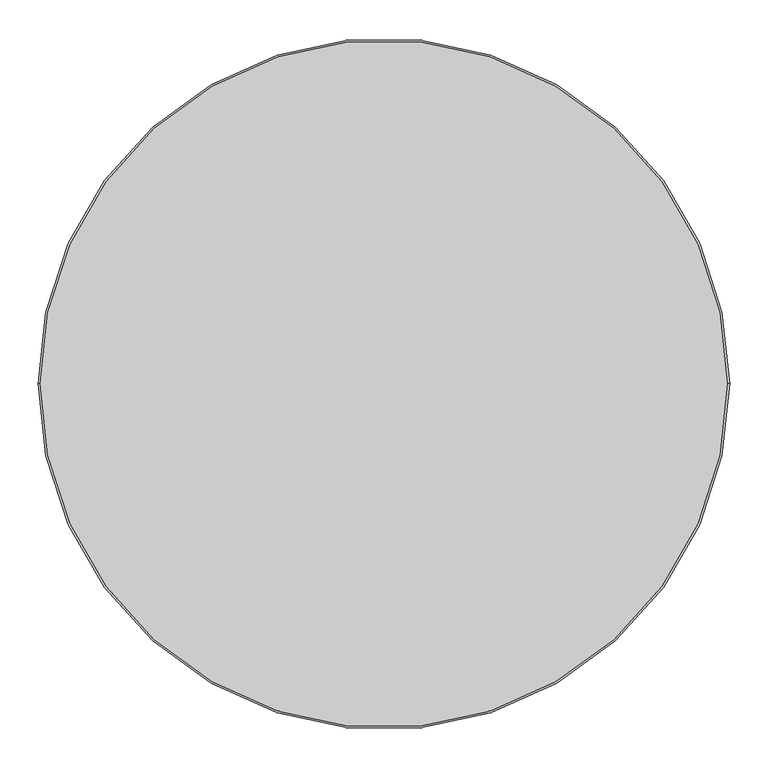
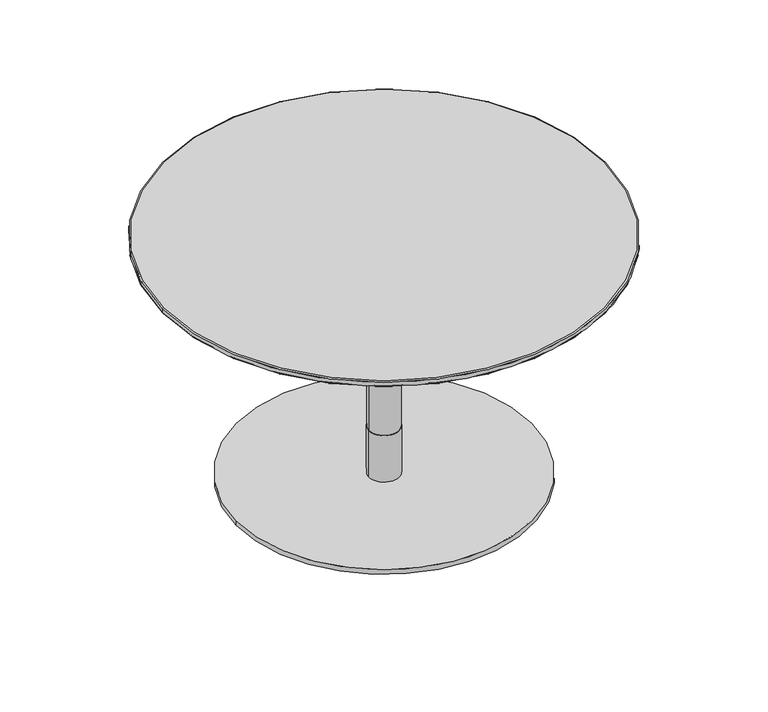
"""IFC4 building model written with IfcOpenShell, lengths in millimetres: furniture geometry."""

from ifc_helpers import new_model, si_unit, point, frame, origin, origin_with_axes, origin_2d, place, context, project, spatial, polyline, circle_curve, ellipse_curve, trimmed, segment, composite_curve, outline, extrude, source, transform, mapped, element, save
from ifc_brep_helpers import plane_surface, cylinder_surface, revolved_surface, advanced_brep


def furniture_6e579859(model_context):
    return source(origin(), model_context, "Body", "SolidModel", [
        advanced_brep(
        [(448.6840403, 0.0, 508.2400004), (450.0, 0.0, 510.1193857), (-450.0, 0.0, 510.1193857), (-448.6840403, 0.0, 508.2400004), (450.0, 0.0, 518.0), (448.0, 0.0, 520.0), (-448.0, 0.0, 520.0), (-450.0, 0.0, 518.0)],
        [
            (0, 1, circle_curve(frame((448.0, 0.0, 510.1193857), z_axis=(0.0, -1.0, 0.0), x_axis=(-1.0, 0.0, 0.0)), 2.0)),
            (1, 2, circle_curve(frame((0.0, 0.0, 510.1193857), z_axis=(0.0, 0.0, -1.0), x_axis=(-1.0, 0.0, 0.0)), 450.0)),
            (2, 3, circle_curve(frame((-448.0, 0.0, 510.1193857), z_axis=(0.0, -1.0, 0.0), x_axis=(1.0, 0.0, 0.0)), 2.0)),
            (3, 0, circle_curve(frame((0.0, 0.0, 508.2400004), z_axis=(0.0, 0.0, 1.0), x_axis=(-1.0, 0.0, 0.0)), 448.6840403)),
            (4, 5, circle_curve(frame((448.0, 0.0, 518.0), z_axis=(0.0, -1.0, 0.0), x_axis=(-1.0, 0.0, 0.0)), 2.0)),
            (5, 6, circle_curve(frame((0.0, 0.0, 520.0), z_axis=(0.0, 0.0, -1.0), x_axis=(-1.0, 0.0, 0.0)), 448.0)),
            (6, 7, circle_curve(frame((-448.0, 0.0, 518.0), z_axis=(0.0, -1.0, 0.0), x_axis=(1.0, 0.0, 0.0)), 2.0)),
            (7, 4, circle_curve(frame((0.0, 0.0, 518.0), z_axis=(0.0, 0.0, 1.0), x_axis=(-1.0, 0.0, 0.0)), 450.0)),
            (0, 3, circle_curve(frame((0.0, 0.0, 508.2400004), z_axis=(0.0, 0.0, 1.0), x_axis=(1.0, 0.0, 0.0)), 448.6840403)),
            (2, 1, circle_curve(frame((0.0, 0.0, 510.1193857), z_axis=(0.0, 0.0, -1.0), x_axis=(1.0, 0.0, 0.0)), 450.0)),
            (4, 7, circle_curve(frame((0.0, 0.0, 518.0), z_axis=(0.0, 0.0, 1.0), x_axis=(1.0, 0.0, 0.0)), 450.0)),
            (6, 5, circle_curve(frame((0.0, 0.0, 520.0), z_axis=(0.0, 0.0, -1.0), x_axis=(1.0, 0.0, 0.0)), 448.0)),
            (7, 2),
            (1, 4),
        ],
        [
            revolved_surface(trimmed(ellipse_curve(frame((-448.0, 0.0, 510.1193857), z_axis=(0.0, 1.0, 0.0), x_axis=(1.0, 0.0, 0.0)), 2.0, 2.0), [point((-448.6840403, 0.0, 508.2400004))], [point((-450.0, 0.0, 510.1193857))], True, "CARTESIAN"), (0.0, 0.0, 0.0), (0.0, 0.0, 1.0)),
            revolved_surface(trimmed(ellipse_curve(frame((-448.0, 0.0, 518.0), z_axis=(0.0, 1.0, 0.0), x_axis=(1.0, 0.0, 0.0)), 2.0, 2.0), [point((-450.0, 0.0, 518.0))], [point((-448.0, 0.0, 520.0))], True, "CARTESIAN"), (0.0, 0.0, 0.0), (0.0, 0.0, 1.0)),
            revolved_surface(trimmed(ellipse_curve(frame((448.0, 0.0, 510.1193857), z_axis=(0.0, -1.0, 0.0), x_axis=(-1.0, 0.0, 0.0)), 2.0, 2.0), [point((448.6840403, 0.0, 508.2400004))], [point((450.0, 0.0, 510.1193857))], True, "CARTESIAN"), (0.0, 0.0, 0.0), (0.0, 0.0, 1.0)),
            revolved_surface(trimmed(ellipse_curve(frame((448.0, 0.0, 518.0), z_axis=(0.0, -1.0, 0.0), x_axis=(-1.0, 0.0, 0.0)), 2.0, 2.0), [point((450.0, 0.0, 518.0))], [point((448.0, 0.0, 520.0))], True, "CARTESIAN"), (0.0, 0.0, 0.0), (0.0, 0.0, 1.0)),
            plane_surface(frame((450.0, 0.0, 520.0), z_axis=(0.0, 0.0, 1.0), x_axis=(0.0, 1.0, 0.0))),
            plane_surface(frame((450.0, 0.0, 508.2400004), z_axis=(0.0, 0.0, -1.0), x_axis=(0.0, -1.0, 0.0))),
            cylinder_surface(frame((0.0, 0.0, 508.2400004), z_axis=(0.0, 0.0, 1.0), x_axis=(1.0, 0.0, 0.0)), 450.0),
        ],
        [
            (0, [[1, 2, 3, 4]]),
            (1, [[5, 6, 7, 8]]),
            (2, [[-1, 9, -3, 10]]),
            (3, [[-5, 11, -7, 12]]),
            (4, [[-6, -12]]),
            (5, [[-4, -9]]),
            (6, [[13, -2, 14, -8]]),
            (6, [[-13, -11, -14, -10]]),
        ],
    ),
        advanced_brep(
        [(-448.6840403, 0.0, 508.2400004), (448.6840403, 0.0, 508.2400004), (-400.0, 0.0, 497.7932619), (400.0, 0.0, 497.7932619)],
        [
            (0, 1, circle_curve(frame((0.0, 0.0, 508.2400004), z_axis=(0.0, 0.0, 1.0), x_axis=(-1.0, 0.0, 0.0)), 448.6840403)),
            (1, 0, circle_curve(frame((0.0, 0.0, 508.2400004), z_axis=(0.0, 0.0, 1.0), x_axis=(1.0, 0.0, 0.0)), 448.6840403)),
            (2, 3, circle_curve(frame((0.0, 0.0, 497.7932619), z_axis=(0.0, 0.0, -1.0), x_axis=(1.0, 0.0, 0.0)), 400.0)),
            (3, 2, circle_curve(frame((0.0, 0.0, 497.7932619), z_axis=(0.0, 0.0, -1.0), x_axis=(-1.0, 0.0, 0.0)), 400.0)),
            (3, 1),
            (0, 2),
        ],
        [
            plane_surface(frame((0.0, 0.0, 508.2400004), z_axis=(0.0, 0.0, 1.0), x_axis=(0.0, -1.0, 0.0))),
            plane_surface(frame((0.0, 0.0, 497.7932619), z_axis=(0.0, 0.0, -1.0), x_axis=(0.0, -1.0, 0.0))),
            revolved_surface(polyline([(399.999999904582, 0.0, 497.7932619), (448.6840403, 0.0, 508.2400004)]), (0.0, 0.0, 411.9602997), (0.0, 0.0, 1.0)),
            revolved_surface(polyline([(-399.999999904582, 0.0, 497.7932619), (-448.6840403, 0.0, 508.2400004)]), (0.0, 0.0, 411.9602997), (0.0, 0.0, 1.0)),
        ],
        [
            (0, [[1, 2]]),
            (1, [[3, 4]]),
            (2, [[-4, 5, -1, 6]]),
            (3, [[-3, -6, -2, -5]]),
        ],
    ),
        extrude(outline(polyline([(175.0000945, 174.9403258), (175.0000945, -175.0598632), (-175.0000945, -175.0598632), (-175.0000945, 174.9403258), (175.0000945, 174.9403258)])), frame((0.0, 0.0, 492.7932592), z_axis=(0.0, 0.0, 1.0), x_axis=(1.0, 0.0, 0.0)), (0.0, 0.0, 1.0), 5.0000027),
        extrude(outline(composite_curve([segment(trimmed(circle_curve(origin_2d(), 31.0), [point((-31.0, 0.0))], [point((31.0, 0.0))], False, "CARTESIAN"), True, "CONTINUOUS"), segment(trimmed(circle_curve(origin_2d(), 31.0), [point((31.0, 0.0))], [point((-31.0, 0.0))], False, "CARTESIAN"), True, "CONTINUOUS")], self_intersect=False)), frame((0.0, 0.0, 392.7932663), z_axis=(0.0, 0.0, 1.0), x_axis=(1.0, 0.0, 0.0)), (0.0, 0.0, 1.0), 99.999993),
        extrude(outline(composite_curve([segment(trimmed(circle_curve(origin_2d(), 30.0), [point((-30.0, 0.0))], [point((30.0, 0.0))], False, "CARTESIAN"), True, "CONTINUOUS"), segment(trimmed(circle_curve(origin_2d(), 30.0), [point((30.0, 0.0))], [point((-30.0, 0.0))], False, "CARTESIAN"), True, "CONTINUOUS")], self_intersect=False)), frame((0.0, 0.0, 110.0016526), z_axis=(0.0, 0.0, 1.0), x_axis=(1.0, 0.0, 0.0)), (0.0, 0.0, 1.0), 282.7916137),
        extrude(outline(composite_curve([segment(trimmed(circle_curve(origin_2d(), 31.0), [point((-31.0, 0.0))], [point((31.0, 0.0))], False, "CARTESIAN"), True, "CONTINUOUS"), segment(trimmed(circle_curve(origin_2d(), 31.0), [point((31.0, 0.0))], [point((-31.0, 0.0))], False, "CARTESIAN"), True, "CONTINUOUS")], self_intersect=False)), frame((0.0, 0.0, 10.0000044), z_axis=(0.0, 0.0, 1.0), x_axis=(1.0, 0.0, 0.0)), (0.0, 0.0, 1.0), 100.0016481),
        extrude(outline(composite_curve([segment(trimmed(circle_curve(origin_2d(), 300.0), [point((-300.0, 0.0))], [point((300.0, 0.0))], False, "CARTESIAN"), True, "CONTINUOUS"), segment(trimmed(circle_curve(origin_2d(), 300.0), [point((300.0, 0.0))], [point((-300.0, 0.0))], False, "CARTESIAN"), True, "CONTINUOUS")], self_intersect=False)), origin_with_axes(), (0.0, 0.0, 1.0), 10.0000044),
    ])


if __name__ == "__main__":
    model = new_model("IFC4")
    model_context = context("Model", 3, world=origin())
    ifc_project = project(units=[si_unit("LENGTHUNIT", "METRE", prefix="MILLI")], contexts=[model_context])
    site = spatial("IfcSite", under=ifc_project)
    building = spatial("IfcBuilding", under=site)
    placement = place(None, origin())
    furniture_shape = furniture_6e579859(model_context)
    element("IfcFurniture", 1, at=placement, inside=building, context=model_context, shape_type="MappedRepresentation", body=[
        mapped(furniture_shape, transform((0.0, 0.0, 0.0), x_axis=(1.0, 0.0, 0.0), y_axis=(0.0, 1.0, 0.0), z_axis=(0.0, 0.0, 1.0))),
    ])
    save(model, "model.ifc")
